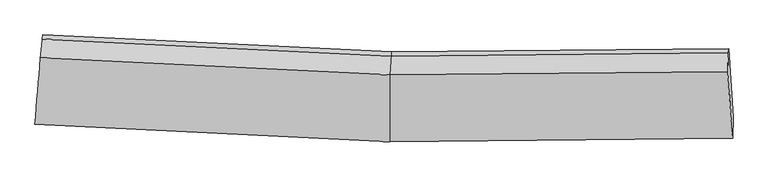
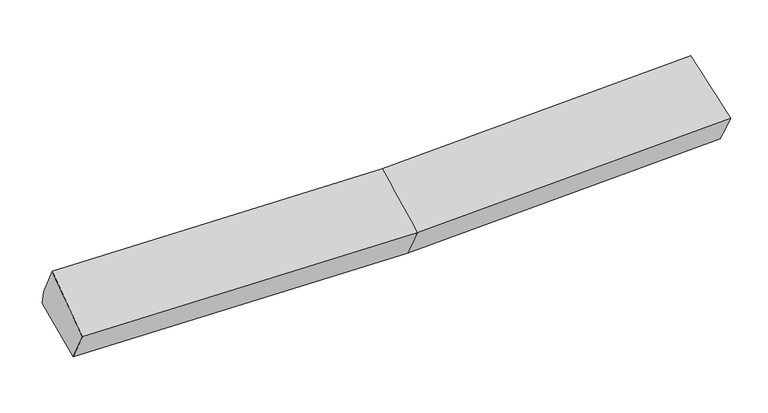
"""IFC4 building model written with IfcOpenShell, lengths in millimetres: proxy geometry."""

import ifcopenshell
import ifcopenshell.guid

model = None  # the IFC model being written
_history = None  # IfcOwnerHistory: only IFC2X3 demands one
_inside = {}  # id of a spatial element -> (the spatial element, [elements in it])
_under = {}  # id of a project, library or spatial element -> (it, [spatial elements below it])
_declared = {}  # id of a project -> (the project, [libraries it declares])
_typed = {}  # id of a type object -> (the type object, [elements of that type])
_made_of = {}  # id of a material, layer set ... -> (it, [elements and type objects made of it])


def new_model(schema):
    """Start an empty IFC model of exactly this schema.

    Asked for "IFC4X3", IfcOpenShell would pick the latest addendum, in which some entities
    have other attributes; the version numbers below select the first issue.
    IFC2X3 requires an IfcOwnerHistory on every rooted entity: one is made here for all.
    """
    global model, _history
    if schema == "IFC4X3":
        model = ifcopenshell.file(schema_version=(4, 3, 0, 0))
    else:
        model = ifcopenshell.file(schema=schema)
    _inside.clear()
    _under.clear()
    _declared.clear()
    _typed.clear()
    _made_of.clear()
    _history = None
    if model.schema == "IFC2X3":
        org = make("IfcOrganization", Name="unknown")
        user = make(
            "IfcPersonAndOrganization",
            ThePerson=make("IfcPerson", FamilyName="unknown"),
            TheOrganization=org,
        )
        app = make(
            "IfcApplication",
            ApplicationDeveloper=org,
            Version="unknown",
            ApplicationFullName="unknown",
            ApplicationIdentifier="unknown",
        )
        _history = make(
            "IfcOwnerHistory",
            OwningUser=user,
            OwningApplication=app,
            ChangeAction="ADDED",
            CreationDate=0,
        )
    return model


def make(cls, **values):
    """One entity of the class cls with the attributes given. An attribute that is None is left unset."""
    return model.create_entity(
        cls, **{name: value for name, value in values.items() if value is not None}
    )


def rooted(cls, **values):
    """An entity with a GlobalId (a new one), such as an element, a storey or a relation."""
    return make(cls, GlobalId=ifcopenshell.guid.new(), OwnerHistory=_history, **values)


def si_unit(unit_type, name, prefix=None):
    """IfcSIUnit, for example si_unit("LENGTHUNIT", "METRE", prefix="MILLI")."""
    return make("IfcSIUnit", UnitType=unit_type, Prefix=prefix, Name=name)


def assignment(units):
    """IfcUnitAssignment: the units of a project."""
    return None if units is None else make("IfcUnitAssignment", Units=units)


def point(xyz):
    """IfcCartesianPoint."""
    return None if xyz is None else make("IfcCartesianPoint", Coordinates=xyz)


def direction(xyz):
    """IfcDirection."""
    return None if xyz is None else make("IfcDirection", DirectionRatios=xyz)


def frame(location, z_axis=None, x_axis=None):
    """IfcAxis2Placement3D, a coordinate frame: its origin and axes. An axis left out is left unset."""
    return make(
        "IfcAxis2Placement3D",
        Location=point(location),
        Axis=direction(z_axis),
        RefDirection=direction(x_axis),
    )


def origin():
    """The frame at (0, 0, 0) with its axes left unset."""
    return frame((0.0, 0.0, 0.0))


def place(relative_to, where):
    """IfcLocalPlacement: puts the frame where relative to a parent placement (None: the world)."""
    return make(
        "IfcLocalPlacement", PlacementRelTo=relative_to, RelativePlacement=where
    )


def context(
    kind, dimensions, precision=None, world=None, true_north=None, identifier=None
):
    """IfcGeometricRepresentationContext, for example the 3D "Model" context."""
    return make(
        "IfcGeometricRepresentationContext",
        ContextIdentifier=identifier,
        ContextType=kind,
        CoordinateSpaceDimension=dimensions,
        Precision=precision,
        WorldCoordinateSystem=world,
        TrueNorth=true_north,
    )


def project(units=None, contexts=None):
    """IfcProject with its units and contexts."""
    return rooted(
        "IfcProject",
        Name="project",
        RepresentationContexts=contexts,
        UnitsInContext=assignment(units),
    )


def spatial(cls, under=None, at=None, **own):
    """A site, building, storey or space (cls), placed at a placement, below another one or the project."""
    s = rooted(cls, ObjectPlacement=at, **own)
    if under is not None:
        _under.setdefault(under.id(), (under, []))[1].append(s)
    return s


def shape(context_of_items, identifier, shape_type, items):
    """IfcShapeRepresentation: the items that make up one representation, for example the "Body"."""
    return make(
        "IfcShapeRepresentation",
        ContextOfItems=context_of_items,
        RepresentationIdentifier=identifier,
        RepresentationType=shape_type,
        Items=items,
    )


def source(mapping_origin, context_of_items, identifier, shape_type, items):
    """IfcRepresentationMap: a shape defined once, which mapped items show again and again."""
    return make(
        "IfcRepresentationMap",
        MappingOrigin=mapping_origin,
        MappedRepresentation=shape(context_of_items, identifier, shape_type, items),
    )


def transform(
    local_origin,
    x_axis=None,
    y_axis=None,
    z_axis=None,
    scale=None,
    scale2=None,
    scale3=None,
    uniform=True,
):
    """IfcCartesianTransformationOperator3D, or its non-uniform kind. x_axis, y_axis, z_axis: its Axis1, 2, 3."""
    if uniform:
        return make(
            "IfcCartesianTransformationOperator3D",
            Axis1=direction(x_axis),
            Axis2=direction(y_axis),
            LocalOrigin=point(local_origin),
            Scale=scale,
            Axis3=direction(z_axis),
        )
    return make(
        "IfcCartesianTransformationOperator3DnonUniform",
        Axis1=direction(x_axis),
        Axis2=direction(y_axis),
        LocalOrigin=point(local_origin),
        Scale=scale,
        Axis3=direction(z_axis),
        Scale2=scale2,
        Scale3=scale3,
    )


def mapped(mapping_source, mapping_target):
    """IfcMappedItem: shows the shape of a source again, moved by a transform."""
    return make(
        "IfcMappedItem", MappingSource=mapping_source, MappingTarget=mapping_target
    )


def made_of(thing, what):
    """Note that an element or type object is made of a material, layer set ...; save() writes the relation."""
    if what is not None:
        _made_of.setdefault(what.id(), (what, []))[1].append(thing)
    return thing


def element(
    cls,
    number,
    at=None,
    inside=None,
    cuts=None,
    type_object=None,
    material=None,
    context=None,
    identifier="Body",
    shape_type=None,
    held_by="IfcProductDefinitionShape",
    body=None,
    shapes=None,
    **own,
):
    """One element of the class cls, such as IfcWall. Its Tag is "e" and its number.

    at: its placement. inside: the storey or other place that contains it. cuts: it is an
    opening in that element (IfcRelVoidsElement). A single representation is given by context,
    identifier, shape_type and body (its items); several are given by shapes. held_by: the class
    of the entity that holds the representations. save() writes the other relations.
    """
    e = rooted(cls, Tag="e%d" % number, ObjectPlacement=at, **own)
    if body is not None:
        shapes = [shape(context, identifier, shape_type, body)]
    if shapes is not None:
        e.Representation = make(held_by, Representations=shapes)
    if inside is not None:
        _inside.setdefault(inside.id(), (inside, []))[1].append(e)
    if cuts is not None:
        rooted(
            "IfcRelVoidsElement", RelatingBuildingElement=cuts, RelatedOpeningElement=e
        )
    if type_object is not None:
        _typed.setdefault(type_object.id(), (type_object, []))[1].append(e)
    return made_of(e, material)


def aggregate(whole, parts):
    """IfcRelAggregates: a whole, such as a stair, and the parts it consists of."""
    return rooted("IfcRelAggregates", RelatingObject=whole, RelatedObjects=parts)


def save(model, path):
    """Write the relations noted so far, then the file.

    IfcRelAggregates (storeys below a building ...), IfcRelContainedInSpatialStructure (elements
    in a storey), IfcRelDefinesByType, IfcRelAssociatesMaterial and IfcRelDeclares: one each for
    every whole, place, type object, material and project.
    """
    for whole, parts in _under.values():
        aggregate(whole, parts)
    for where, things in _inside.values():
        rooted(
            "IfcRelContainedInSpatialStructure",
            RelatedElements=things,
            RelatingStructure=where,
        )
    for kind, things in _typed.values():
        rooted("IfcRelDefinesByType", RelatedObjects=things, RelatingType=kind)
    for what, things in _made_of.values():
        rooted("IfcRelAssociatesMaterial", RelatedObjects=things, RelatingMaterial=what)
    for by, libraries in _declared.values():
        rooted("IfcRelDeclares", RelatingContext=by, RelatedDefinitions=libraries)
    model.write(path)


def plane_surface(at):
    """IfcPlane: the flat surface through the origin of the frame at, square to its z axis."""
    return make("IfcPlane", Position=at)


def spline_surface(u_degree, v_degree, points, u_multiplicities, v_multiplicities, u_knots, v_knots, weights=None):
    """IfcBSplineSurfaceWithKnots; with weights, IfcRationalBSplineSurfaceWithKnots. points: one row for each step in u."""
    own = dict(
        UDegree=u_degree,
        VDegree=v_degree,
        ControlPointsList=[[point(p) for p in row] for row in points],
        SurfaceForm="UNSPECIFIED",
        UClosed=False,
        VClosed=False,
        SelfIntersect=False,
        UMultiplicities=u_multiplicities,
        VMultiplicities=v_multiplicities,
        UKnots=u_knots,
        VKnots=v_knots,
        KnotSpec="UNSPECIFIED",
    )
    if weights is None:
        return make("IfcBSplineSurfaceWithKnots", **own)
    return make("IfcRationalBSplineSurfaceWithKnots", WeightsData=weights, **own)


def advanced_brep(points, edges, surfaces, faces):
    """IfcAdvancedBrep: a solid bounded by faces that lie on surfaces and meet in shared edges.

    An edge is (start, end): straight between two places in points (the first is 0);
    or (start, end, curve); or (start, end, curve, False) where it runs against its curve.
    A face is (place in surfaces, loops), or (place, loops, False) where it looks against
    its surface's normal. A loop lists edges by number (the first is 1), with a minus sign
    where the edge is run from its end to its start. The first loop is the outer one.
    """
    corners = [point(p) for p in points]
    vertices = [make("IfcVertexPoint", VertexGeometry=c) for c in corners]
    made = []
    for start, end, *more in edges:
        made.append(
            make(
                "IfcEdgeCurve",
                EdgeStart=vertices[start],
                EdgeEnd=vertices[end],
                EdgeGeometry=more[0] if more else make("IfcPolyline", Points=[corners[start], corners[end]]),
                SameSense=more[1] if len(more) > 1 else True,
            )
        )
    hull = []
    for where, loops, *sense in faces:
        bounds = []
        for j, loop in enumerate(loops):
            ring = [make("IfcOrientedEdge", EdgeElement=made[abs(k) - 1], Orientation=k > 0) for k in loop]
            bounds.append(
                make(
                    "IfcFaceOuterBound" if j == 0 else "IfcFaceBound",
                    Bound=make("IfcEdgeLoop", EdgeList=ring),
                    Orientation=True,
                )
            )
        hull.append(make("IfcAdvancedFace", Bounds=bounds, FaceSurface=surfaces[where], SameSense=sense[0] if sense else True))
    return make("IfcAdvancedBrep", Outer=make("IfcClosedShell", CfsFaces=hull))


def generic_models_e29548cc(model_context):
    return source(origin(), model_context, "Body", "AdvancedBrep", [
        advanced_brep(
        [(-3399.0801045, -2006.711577, 1992.5604182), (-3378.8255175, -1804.5149059, 1642.0603343), (31.4952071, -1971.6289869, 1699.2672644), (18.9773784, -2174.2309927, 2049.8949617), (-3322.4015979, -1144.3476896, 1815.901031), (38.6584345, -1308.8809649, 1872.2954343), (-3327.0683637, -1184.7008193, 1970.6584096), (33.9916687, -1349.2340946, 2027.0528128), (-3345.3724379, -1365.1142417, 2314.8465425), (22.0182755, -1529.9791863, 2371.3453667), (3285.5811264, -1316.6034026, 2118.1060289), (3279.7304721, -1497.2492422, 2462.6090964), (3325.6921065, -2140.7066976, 2142.8435085), (3330.7273042, -1938.2259883, 1791.9585415), (3290.2478922, -1276.2502729, 1963.3486504)],
        [
            (0, 1),
            (1, 2),
            (2, 3),
            (3, 0),
            (1, 4),
            (4, 5),
            (5, 1),
            (4, 6),
            (6, 7),
            (7, 5),
            (6, 8),
            (8, 9),
            (9, 7),
            (8, 0),
            (3, 9),
            (10, 11),
            (11, 12),
            (12, 13),
            (13, 14),
            (14, 10),
            (5, 2),
            (9, 11),
            (10, 7),
            (3, 12),
            (2, 13),
            (5, 14),
        ],
        [
            spline_surface(1, 1, [[(-3399.0801045, -2006.711577, 1992.5604182), (18.9773784, -2174.2309927, 2049.8949617)], [(-3378.8255175, -1804.5149059, 1642.0603343), (31.4952071, -1971.6289869, 1699.2672644)]], [2, 2], [2, 2], [0.0, 1.0], [0.0, 1.0]),
            plane_surface(frame((-3350.6135577, -1474.4312977, 1728.9806826), z_axis=(0.02857780609063436, 0.25225854134521497, -0.967237787370526), x_axis=(0.08237068555807003, 0.9637477610000591, 0.2537820390178677))),
            plane_surface(frame((-3324.7349808, -1164.5242544, 1893.2797203), z_axis=(0.04305945784690085, 0.9664300383819762, 0.25329600076381686), x_axis=(-0.029167286267918244, -0.25220706055883607, 0.9672336160494202))),
            spline_surface(1, 1, [[(-3327.0683637, -1184.7008193, 1970.6584096), (33.9916687, -1349.2340946, 2027.0528128)], [(-3345.3724379, -1365.1142417, 2314.8465425), (22.0182755, -1529.9791863, 2371.3453667)]], [2, 2], [2, 2], [0.0, 1.0], [0.0, 1.0]),
            spline_surface(1, 1, [[(-3345.3724379, -1365.1142417, 2314.8465425), (22.0182755, -1529.9791863, 2371.3453667)], [(-3399.0801045, -2006.711577, 1992.5604182), (18.9773784, -2174.2309927, 2049.8949617)]], [2, 2], [2, 2], [0.0, 1.0], [0.0, 1.0]),
            plane_surface(frame((3302.3957803, -1633.8071207, 2095.7731651), z_axis=(0.9978262197323602, 0.04985994692730916, 0.043090844816896956), x_axis=(-0.01503882556715267, -0.46434144657535903, 0.885528573631514))),
            plane_surface(frame((-3354.5496043, -1501.0778467, 1947.2053471), z_axis=(-0.9961748539149379, 0.08707382943054826, -0.007335438354467989), x_axis=(0.0745939813965309, 0.8911074100675048, 0.44761961715523363))),
            plane_surface(frame((-3378.8255175, -1804.5149059, 1642.0603343), z_axis=(0.028584513014250208, 0.25221721063057606, -0.967248367420421), x_axis=(0.010457266216583579, 0.9675153605220812, 0.2525958684086156))),
            spline_surface(1, 1, [[(33.9916687, -1349.2340946, 2027.0528128), (3285.5811264, -1316.6034026, 2118.1060289)], [(22.0182755, -1529.9791863, 2371.3453667), (3279.7304721, -1497.2492422, 2462.6090964)]], [2, 2], [2, 2], [0.0, 1.0], [0.0, 1.0]),
            spline_surface(1, 1, [[(22.0182755, -1529.9791863, 2371.3453667), (3279.7304721, -1497.2492422, 2462.6090964)], [(18.9773784, -2174.2309927, 2049.8949617), (3325.6921065, -2140.7066976, 2142.8435085)]], [2, 2], [2, 2], [0.0, 1.0], [0.0, 1.0]),
            spline_surface(1, 1, [[(18.9773784, -2174.2309927, 2049.8949617), (3325.6921065, -2140.7066976, 2142.8435085)], [(31.4952071, -1971.6289869, 1699.2672644), (3330.7273042, -1938.2259883, 1791.9585415)]], [2, 2], [2, 2], [0.0, 1.0], [0.0, 1.0]),
            spline_surface(1, 1, [[(31.4952071, -1971.6289869, 1699.2672644), (3330.7273042, -1938.2259883, 1791.9585415)], [(38.6584345, -1308.8809649, 1872.2954343), (3290.2478922, -1276.2502729, 1963.3486504)]], [2, 2], [2, 2], [0.0, 1.0], [0.0, 1.0]),
            plane_surface(frame((36.3250516, -1329.0575298, 1949.6741236), z_axis=(-0.01676172180765222, 0.9676326559942827, 0.2518056546932438), x_axis=(-0.02916728626808149, -0.2522070605587285, 0.9672336160494431))),
        ],
        [
            (0, [[1, 2, 3, 4]]),
            (1, [[5, 6, 7]]),
            (2, [[8, 9, 10, -6]]),
            (3, [[11, 12, 13, -9]]),
            (4, [[14, -4, 15, -12]]),
            (5, [[16, 17, 18, 19, 20]]),
            (6, [[-14, -11, -8, -5, -1]]),
            (7, [[21, -2, -7]]),
            (8, [[-13, 22, -16, 23]]),
            (9, [[-15, 24, -17, -22]]),
            (10, [[-3, 25, -18, -24]]),
            (11, [[-21, 26, -19, -25]]),
            (12, [[-10, -23, -20, -26]]),
        ],
    ),
    ])


if __name__ == "__main__":
    model = new_model("IFC4")
    model_context = context("Model", 3, world=origin())
    ifc_project = project(units=[si_unit("LENGTHUNIT", "METRE", prefix="MILLI")], contexts=[model_context])
    site = spatial("IfcSite", under=ifc_project)
    building = spatial("IfcBuilding", under=site)
    placement = place(None, origin())
    generic_models_shape = generic_models_e29548cc(model_context)
    element("IfcBuildingElementProxy", 1, Name="Generic Models", at=placement, inside=building, context=model_context, shape_type="MappedRepresentation", body=[
        mapped(generic_models_shape, transform((0.0, 0.0, 0.0), x_axis=(1.0, 0.0, 0.0), y_axis=(0.0, 1.0, 0.0), z_axis=(0.0, 0.0, 1.0))),
    ])
    save(model, "model.ifc")
